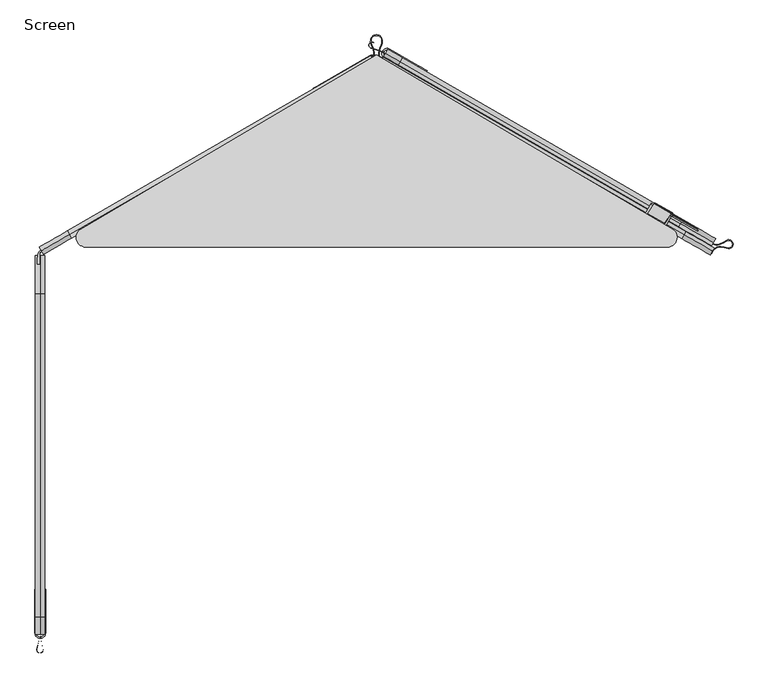
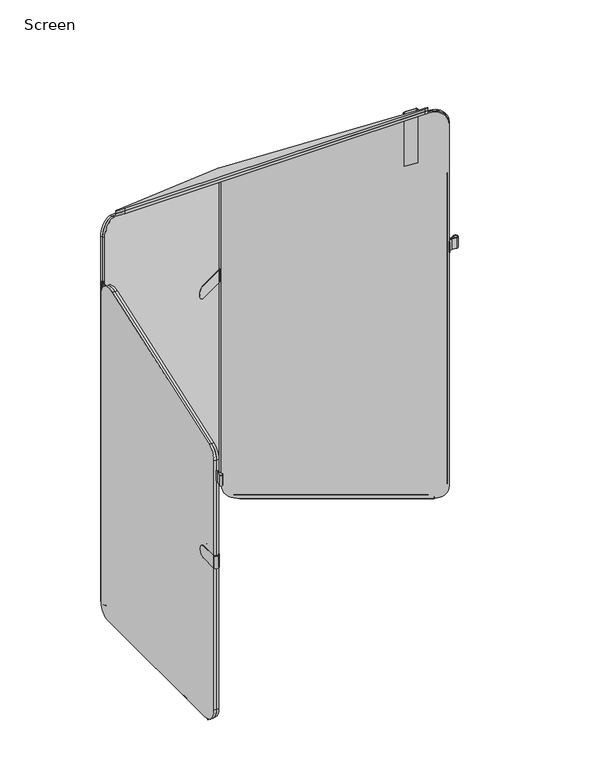
"""IFC4 building model written with IfcOpenShell, lengths in millimetres: furniture geometry, Screen."""

from ifc_helpers import new_model, si_unit, point, frame, frame_2d, origin, place, context, project, spatial, polyline, circle_curve, ellipse_curve, trimmed, segment, composite_curve, outline, extrude, source, transform, mapped, element, save
from ifc_brep_helpers import plane_surface, cylinder_surface, revolved_surface, advanced_brep


def screen_5ca2c956(model_context):
    return source(origin(), model_context, "Body", "SolidModel", [
        extrude(outline(composite_curve([segment(trimmed(circle_curve(frame_2d((598.1136733, -178.0375759)), 15.6309476), [point((587.1517606, -166.8947311))], [point((599.0493266, -162.4346571))], False, "CARTESIAN"), True, "CONTINUOUS"), segment(trimmed(circle_curve(frame_2d((595.5971111, -220.0036696)), 57.6724283), [point((599.0493266, -162.4346571))], [point((612.9936447, -165.017584))], False, "CARTESIAN"), True, "CONTINUOUS"), segment(trimmed(circle_curve(frame_2d((613.575283, -158.2398324)), 6.8026627), [point((612.9936447, -165.017584))], [point((609.8295658, -152.5612919))], True, "CARTESIAN"), True, "CONTINUOUS"), segment(trimmed(circle_curve(frame_2d((578.0736766, -104.4190808)), 57.6724283), [point((609.8295658, -152.5612919))], [point((597.1212487, -158.8552726))], False, "CARTESIAN"), True, "CONTINUOUS"), segment(trimmed(circle_curve(frame_2d((591.9587888, -144.1014417)), 15.6309476), [point((597.1212487, -158.8552726))], [point((584.4578288, -157.815016))], False, "CARTESIAN"), True, "CONTINUOUS"), segment(trimmed(circle_curve(frame_2d((593.1754437, -141.8771013)), 18.1662857), [point((584.4578288, -157.815016))], [point((577.9568598, -151.797214))], False, "CARTESIAN"), True, "CONTINUOUS"), segment(polyline([(577.9568598, -151.797214), (578.7769997, -151.1946711)]), True, "CONTINUOUS"), segment(trimmed(circle_curve(frame_2d((593.1754437, -141.8771013)), 17.1502857), [point((578.7769997, -151.1946711))], [point((584.9453856, -156.9236438))], True, "CARTESIAN"), True, "CONTINUOUS"), segment(trimmed(circle_curve(frame_2d((591.9587888, -144.1014417)), 14.6149476), [point((584.9453856, -156.9236438))], [point((596.7856926, -157.8962846))], True, "CARTESIAN"), True, "CONTINUOUS"), segment(trimmed(circle_curve(frame_2d((578.0736766, -104.4190808)), 56.6564283), [point((596.7856926, -157.8962846))], [point((609.2701307, -151.7131832))], True, "CARTESIAN"), True, "CONTINUOUS"), segment(trimmed(circle_curve(frame_2d((613.5685854, -158.2296788)), 7.8064991), [point((609.2701307, -151.7131832))], [point((612.6871746, -165.9862594))], False, "CARTESIAN"), True, "CONTINUOUS"), segment(trimmed(circle_curve(frame_2d((595.5971111, -220.0036696)), 56.6564283), [point((612.6871746, -165.9862594))], [point((598.9885099, -163.4488353))], True, "CARTESIAN"), True, "CONTINUOUS"), segment(trimmed(circle_curve(frame_2d((598.1136733, -178.0375759)), 14.6149476), [point((598.9885099, -163.4488353))], [point((587.8642768, -167.6190077))], True, "CARTESIAN"), True, "CONTINUOUS"), segment(trimmed(circle_curve(frame_2d((599.8916945, -179.8449442)), 17.1502857), [point((587.8642768, -167.6190077))], [point((583.4955544, -174.8151441))], True, "CARTESIAN"), True, "CONTINUOUS"), segment(polyline([(583.4955544, -174.8151441), (582.5420077, -174.4595653)]), True, "CONTINUOUS"), segment(trimmed(circle_curve(frame_2d((599.8916945, -179.8449442)), 18.1662857), [point((582.5420077, -174.4595653))], [point((587.1517606, -166.8947311))], False, "CARTESIAN"), True, "CONTINUOUS")], self_intersect=False)), frame((0.0, 0.0, 895.3441864), z_axis=(0.0, 0.0, 1.0), x_axis=(1.0, 0.0, 0.0)), (0.0, 0.0, 1.0), 38.1),
        advanced_brep(
        [(11.7279021, 186.0583928, 624.0890865), (61.5572902, 157.2631821, 624.0890865), (62.5936488, 159.0565745, 624.0890865), (11.932128, 188.3326548, 624.0890865), (2.4285422, 171.8869386, 624.0890865), (53.090063, 142.6108583, 624.0890865), (54.2442775, 144.6081974, 624.0890865), (4.4148894, 173.4034081, 624.0890865), (11.932128, 188.3326548, 579.6941583), (59.1393423, 161.0527355, 579.6941583), (58.1029838, 159.2593431, 579.6941583), (11.7279021, 186.0583928, 579.6941583), (4.4148894, 173.4034081, 579.6941583), (50.789971, 146.6043584, 579.6941583), (49.6357565, 144.6070193, 579.6941583), (2.4285422, 171.8869386, 579.6941583), (58.1029838, 159.2593431, 580.0001528), (59.1393423, 161.0527355, 580.0001528), (49.6357565, 144.6070193, 580.0001528), (50.789971, 146.6043584, 580.0001528)],
        [
            (0, 1),
            (1, 2),
            (2, 3),
            (3, 4, circle_curve(frame((7.1803351, 180.1097967, 624.0890865), z_axis=(0.0, 0.0, 1.0), x_axis=(-0.5003413979630116, -0.8658282078359537, 0.0)), 9.4971012)),
            (4, 5),
            (5, 6),
            (6, 7),
            (7, 0, circle_curve(frame((8.0713958, 179.7309004, 624.0890865), z_axis=(0.0, 0.0, -1.0), x_axis=(-0.5003413979630116, -0.8658282078359537, 0.0)), 7.3080229)),
            (8, 9),
            (9, 10),
            (10, 11),
            (11, 12, circle_curve(frame((8.0713958, 179.7309004, 579.6941583), z_axis=(0.0, 0.0, 1.0), x_axis=(-0.5003413979630116, -0.8658282078359537, 0.0)), 7.3080229)),
            (12, 13),
            (13, 14),
            (14, 15),
            (15, 8, circle_curve(frame((7.1803351, 180.1097967, 579.6941583), z_axis=(0.0, 0.0, -1.0), x_axis=(-0.5003413979630116, -0.8658282078359537, 0.0)), 9.4971012)),
            (10, 16),
            (16, 1, circle_curve(frame((58.1029838, 159.2593431, 602.2251286), z_axis=(-0.5003413979630116, -0.8658282078359538, 0.0), x_axis=(-0.8658282078359536, 0.5003413979630115, 0.0)), 22.2249758)),
            (0, 11),
            (2, 17, circle_curve(frame((59.1393423, 161.0527355, 602.2251286), z_axis=(0.5003413979630116, 0.8658282078359538, 0.0), x_axis=(-0.8658282078359536, 0.5003413979630115, 0.0)), 22.2249758)),
            (17, 9),
            (8, 3),
            (15, 4),
            (14, 18),
            (18, 5, circle_curve(frame((49.6357565, 144.6070193, 602.2251286), z_axis=(-0.5003413979630116, -0.8658282078359538, 0.0), x_axis=(-0.8658282078359536, 0.5003413979630115, 0.0)), 22.2249758)),
            (6, 19, circle_curve(frame((50.789971, 146.6043584, 602.2251286), z_axis=(0.5003413979630116, 0.8658282078359538, 0.0), x_axis=(-0.8658282078359536, 0.5003413979630115, 0.0)), 22.2249758)),
            (19, 13),
            (12, 7),
            (16, 17),
            (18, 19),
        ],
        [
            plane_surface(frame((4.4148894, 173.4034081, 624.0890865), z_axis=(0.0, 0.0, 1.0), x_axis=(0.8658282078359536, -0.5003413979630116, 0.0))),
            plane_surface(frame((4.4148894, 173.4034081, 579.6941583), z_axis=(0.0, 0.0, -1.0), x_axis=(-0.8658282078359536, 0.5003413979630116, 0.0))),
            plane_surface(frame((79.2343951, 147.0480063, 624.0890865), z_axis=(-0.5003413979630125, -0.8658282078359532, 0.0), x_axis=(0.0, 0.0, -1.0))),
            plane_surface(frame((11.932128, 188.3326548, 624.0890865), z_axis=(0.5003413979630111, 0.8658282078359539, 0.0), x_axis=(0.0, 0.0, -1.0))),
            cylinder_surface(frame((7.1803351, 180.1097967, 579.6941583), z_axis=(0.0, 0.0, 1.0000000000000002), x_axis=(-0.5003413979630116, -0.8658282078359537, 0.0)), 9.4971012),
            plane_surface(frame((70.7671679, 132.3956825, 624.0890865), z_axis=(-0.5003413979630126, -0.865828207835953, 0.0), x_axis=(0.0, 0.0, -1.0))),
            plane_surface(frame((4.4148894, 173.4034081, 624.0890865), z_axis=(0.5003413979630116, 0.8658282078359537, 0.0), x_axis=(0.0, 0.0, -1.0))),
            revolved_surface(polyline([(4.414889405868298, 173.4034080296689, 579.6941583), (4.414889405868298, 173.4034080296689, 624.0890865)]), (8.0713958, 179.7309004, 579.6941583), (0.0, 0.0, -1.0000000000000002)),
            cylinder_surface(frame((-244.7509442, -364.8217639, 602.2251286), z_axis=(-0.5003413979630115, -0.8658282078359536, 0.0), x_axis=(-0.8658282078359536, 0.5003413979630115, 0.0)), 22.2249758),
            plane_surface(frame((175.8006548, 362.9322033, 580.0001528), z_axis=(0.8658282078359536, -0.5003413979630116, 0.0), x_axis=(-0.5003413979630116, -0.8658282078359536, 0.0))),
        ],
        [
            (0, [[1, 2, 3, 4, 5, 6, 7, 8]]),
            (1, [[9, 10, 11, 12, 13, 14, 15, 16]]),
            (2, [[-11, 17, 18, -1, 19]]),
            (3, [[-3, 20, 21, -9, 22]]),
            (4, [[-22, -16, 23, -4]]),
            (5, [[-15, 24, 25, -5, -23]]),
            (6, [[-7, 26, 27, -13, 28]]),
            (7, [[-28, -12, -19, -8]]),
            (8, [[-20, -2, -18, 29]]),
            (8, [[-26, -6, -25, 30]]),
            (9, [[-17, -10, -21, -29]]),
            (9, [[-24, -14, -27, -30]]),
        ],
    ),
        extrude(outline(composite_curve([segment(trimmed(circle_curve(frame_2d((0.0, 2.667)), 2.667), [point((0.0, 5.334))], [point((0.0, 0.0))], False, "CARTESIAN"), True, "CONTINUOUS"), segment(trimmed(circle_curve(frame_2d((0.0, 2.667)), 2.667), [point((0.0, 0.0))], [point((0.0, 5.334))], False, "CARTESIAN"), True, "CONTINUOUS")], self_intersect=False)), frame((537.3435442, -126.5834955, 2.5379514), z_axis=(-0.8668691708695273, 0.49853569641097756, 0.0), x_axis=(0.0, 0.0, 1.0)), (0.0, 0.0, 1.0), 579.4266985),
        extrude(outline(composite_curve([segment(trimmed(circle_curve(frame_2d((0.0, 2.667)), 2.667), [point((0.0, 5.334))], [point((0.0, 0.0))], False, "CARTESIAN"), True, "CONTINUOUS"), segment(trimmed(circle_curve(frame_2d((0.0, 2.667)), 2.667), [point((0.0, 0.0))], [point((0.0, 5.334))], False, "CARTESIAN"), True, "CONTINUOUS")], self_intersect=False)), frame((536.7361583, -127.3623609, 2.5379514), z_axis=(-0.8660253657267415, 0.5000000659178595, 0.0), x_axis=(0.0, 0.0, -1.0)), (0.0, 0.0, 1.0), 579.289294),
        extrude(outline(composite_curve([segment(polyline([(57.15, 57.15), (57.15, -516.4425477)]), True, "CONTINUOUS"), segment(trimmed(circle_curve(frame_2d((15.6022923, -516.4425477)), 41.5477077), [point((57.15, -516.4425477))], [point((15.72966, -557.9900601))], False, "CARTESIAN"), True, "CONTINUOUS"), segment(polyline([(15.72966, -557.9900601), (-1104.1646113, -557.9900601)]), True, "CONTINUOUS"), segment(trimmed(circle_curve(frame_2d((-1104.1646113, -507.1900601)), 50.8), [point((-1104.1646113, -557.9900601))], [point((-1152.0447325, -490.2155502))], False, "CARTESIAN"), True, "CONTINUOUS"), segment(polyline([(-1152.0447325, -490.2155502), (-948.224438, 84.701811)]), True, "CONTINUOUS"), segment(trimmed(circle_curve(frame_2d((-906.3293319, 69.8491149)), 44.45), [point((-948.224438, 84.701811))], [point((-906.3293753, 114.2991149))], False, "CARTESIAN"), True, "CONTINUOUS"), segment(polyline([(-906.3293753, 114.2991149), (-5.59e-05, 114.3)]), True, "CONTINUOUS"), segment(trimmed(circle_curve(frame_2d((0.0, 57.15)), 57.15), [point((-5.59e-05, 114.3))], [point((57.15, 57.15))], False, "CARTESIAN"), True, "CONTINUOUS")], self_intersect=False)), frame((103.4498427, 123.5127335, 62.4738029), z_axis=(0.5003413979630116, 0.8658282078359537, 0.0), x_axis=(0.0, 0.0, -1.0)), (0.0, 0.0, 1.0), 8.2615122),
        extrude(outline(composite_curve([segment(polyline([(30.9902992, 166.2949488), (30.525524, 165.4906669), (8.1729156, 178.4077043), (-5.1623868, 184.9182753), (-21.1292247, 189.8067119)]), True, "CONTINUOUS"), segment(trimmed(circle_curve(frame_2d((-19.543052, 195.0519747)), 5.4798472), [point((-21.1292247, 189.8067119))], [point((-15.8042254, 199.0582075))], False, "CARTESIAN"), True, "CONTINUOUS"), segment(polyline([(-15.8042254, 199.0582075), (-3.7508821, 187.8093953), (8.6376908, 179.2119862), (30.9902992, 166.2949488)]), True, "CONTINUOUS")], self_intersect=False), holes=[composite_curve([segment(polyline([(-4.2734535, 187.6916966), (-16.0871469, 198.3372307)]), True, "CONTINUOUS"), segment(trimmed(circle_curve(frame_2d((-19.5546121, 194.9497846)), 4.8474845), [point((-16.0871469, 198.3372307))], [point((-20.9737069, 190.3146713))], True, "CARTESIAN"), True, "CONTINUOUS"), segment(polyline([(-20.9737069, 190.3146713), (-5.3350227, 185.5267029), (8.7674516, 178.6415827), (-4.2734535, 187.6916966)]), True, "CONTINUOUS")], self_intersect=False)]), frame((0.0, 0.0, 895.3440895), z_axis=(0.0, 0.0, 1.0), x_axis=(1.0, 0.0, 0.0)), (0.0, 0.0, 1.0), 38.1000969),
        extrude(outline(composite_curve([segment(polyline([(573.5925477, 0.0), (0.0, 0.0)]), True, "CONTINUOUS"), segment(trimmed(circle_curve(frame_2d((0.0, 41.5477077)), 41.5477077), [point((0.0, 0.0))], [point((-41.5475124, 41.42034))], False, "CARTESIAN"), True, "CONTINUOUS"), segment(polyline([(-41.5475124, 41.42034), (-41.5475124, 1161.3146113)]), True, "CONTINUOUS"), segment(trimmed(circle_curve(frame_2d((9.2524876, 1161.3146113)), 50.8), [point((-41.5475124, 1161.3146113))], [point((26.2269974, 1209.1947325))], False, "CARTESIAN"), True, "CONTINUOUS"), segment(polyline([(26.2269974, 1209.1947325), (601.1443587, 1005.374438)]), True, "CONTINUOUS"), segment(trimmed(circle_curve(frame_2d((586.2916626, 963.4793319)), 44.45), [point((601.1443587, 1005.374438))], [point((630.7416626, 963.4793753))], False, "CARTESIAN"), True, "CONTINUOUS"), segment(polyline([(630.7416626, 963.4793753), (630.7425477, 57.1500559)]), True, "CONTINUOUS"), segment(trimmed(circle_curve(frame_2d((573.5925477, 57.15)), 57.15), [point((630.7425477, 57.1500559))], [point((573.5925477, 0.0))], False, "CARTESIAN"), True, "CONTINUOUS")], self_intersect=False)), frame((547.420932, -140.3867872, 5.3238029), z_axis=(0.5003413979630116, 0.8658282078359536, 0.0), x_axis=(-0.8658282078359536, 0.5003413979630116, 0.0)), (0.0, 0.0, 1.0), 6.3545336),
        extrude(outline(composite_curve([segment(trimmed(circle_curve(frame_2d((0.0, -2.667)), 2.667), [point((0.0, -5.334))], [point((0.0, 0.0))], False, "CARTESIAN"), True, "CONTINUOUS"), segment(trimmed(circle_curve(frame_2d((0.0, -2.667)), 2.667), [point((0.0, 0.0))], [point((0.0, -5.334))], False, "CARTESIAN"), True, "CONTINUOUS")], self_intersect=False)), frame((-608.3689724, -806.9608816, 2.5379514), z_axis=(0.001690159880038844, 0.9999985716787699, 0.0), x_axis=(0.0, 0.0, -1.0)), (0.0, 0.0, 1.0), 579.4266985),
        extrude(outline(composite_curve([segment(trimmed(circle_curve(frame_2d((0.0, -2.667)), 2.667), [point((0.0, -5.334))], [point((0.0, 0.0))], False, "CARTESIAN"), True, "CONTINUOUS"), segment(trimmed(circle_curve(frame_2d((0.0, -2.667)), 2.667), [point((0.0, 0.0))], [point((0.0, -5.334))], False, "CARTESIAN"), True, "CONTINUOUS")], self_intersect=False)), frame((-608.3651063, -806.963502, 2.5379514), z_axis=(7.611537644613976e-08, 0.9999999999999971, 0.0), x_axis=(0.0, 0.0, 1.0)), (0.0, 0.0, 1.0), 579.289294),
        extrude(outline(composite_curve([segment(trimmed(circle_curve(frame_2d((-793.904581, 62.4738029)), 57.15), [point((-793.904581, 5.3238029))], [point((-851.054581, 62.4738588))], False, "CARTESIAN"), True, "CONTINUOUS"), segment(polyline([(-851.054581, 62.4738588), (-851.0536958, 968.8031782)]), True, "CONTINUOUS"), segment(trimmed(circle_curve(frame_2d((-806.6036958, 968.8031348)), 44.45), [point((-851.0536958, 968.8031782))], [point((-821.456392, 1010.6982409))], False, "CARTESIAN"), True, "CONTINUOUS"), segment(polyline([(-821.456392, 1010.6982409), (-246.5390307, 1214.5185354)]), True, "CONTINUOUS"), segment(trimmed(circle_curve(frame_2d((-229.5645208, 1166.6384142)), 50.8), [point((-246.5390307, 1214.5185354))], [point((-178.7645208, 1166.6384142))], False, "CARTESIAN"), True, "CONTINUOUS"), segment(polyline([(-178.7645208, 1166.6384142), (-178.7645208, 46.7441429)]), True, "CONTINUOUS"), segment(trimmed(circle_curve(frame_2d((-220.3120333, 46.8715106)), 41.5477077), [point((-178.7645208, 46.7441429))], [point((-220.3120333, 5.3238029))], False, "CARTESIAN"), True, "CONTINUOUS"), segment(polyline([(-220.3120333, 5.3238029), (-793.904581, 5.3238029)]), True, "CONTINUOUS")], self_intersect=False)), frame((-617.0234288, 0.0, 0.0), z_axis=(1.0, 0.0, 0.0), x_axis=(0.0, 1.0, 0.0)), (0.0, 0.0, 1.0), 8.2615122),
        extrude(outline(composite_curve([segment(trimmed(circle_curve(frame_2d((-793.904581, 62.4738029)), 57.15), [point((-793.904581, 5.3238029))], [point((-851.054581, 62.4738588))], False, "CARTESIAN"), True, "CONTINUOUS"), segment(polyline([(-851.054581, 62.4738588), (-851.0536958, 968.8031782)]), True, "CONTINUOUS"), segment(trimmed(circle_curve(frame_2d((-806.6036958, 968.8031348)), 44.45), [point((-851.0536958, 968.8031782))], [point((-821.456392, 1010.6982409))], False, "CARTESIAN"), True, "CONTINUOUS"), segment(polyline([(-821.456392, 1010.6982409), (-246.5390307, 1214.5185354)]), True, "CONTINUOUS"), segment(trimmed(circle_curve(frame_2d((-229.5645208, 1166.6384142)), 50.8), [point((-246.5390307, 1214.5185354))], [point((-178.7645208, 1166.6384142))], False, "CARTESIAN"), True, "CONTINUOUS"), segment(polyline([(-178.7645208, 1166.6384142), (-178.7645208, 46.7441429)]), True, "CONTINUOUS"), segment(trimmed(circle_curve(frame_2d((-220.3120333, 46.8715106)), 41.5477077), [point((-178.7645208, 46.7441429))], [point((-220.3120333, 5.3238029))], False, "CARTESIAN"), True, "CONTINUOUS"), segment(polyline([(-220.3120333, 5.3238029), (-793.904581, 5.3238029)]), True, "CONTINUOUS")], self_intersect=False)), frame((-608.7619166, 0.0, 0.0), z_axis=(1.0, 0.0, 0.0), x_axis=(0.0, 1.0, 0.0)), (0.0, 0.0, 1.0), 8.2615122),
        advanced_brep(
        [(-618.0633855, -849.0201959, 624.0890865), (-599.0691831, -849.0201959, 624.0890865), (-599.0691831, -789.9130812, 624.0890865), (-600.5004045, -789.9130812, 624.0890865), (-600.5004045, -848.059113, 624.0890865), (-617.0234288, -848.059113, 624.0890865), (-617.0234288, -789.9130812, 624.0890865), (-618.0633855, -789.9130812, 624.0890865), (-617.0234288, -848.059113, 579.6941583), (-600.5004045, -848.059113, 579.6941583), (-600.5004045, -793.9026792, 579.6941583), (-599.0691831, -793.9026792, 579.6941583), (-599.0691831, -849.0201959, 579.6941583), (-618.0633855, -849.0201959, 579.6941583), (-618.0633855, -793.9026792, 579.6941583), (-617.0234288, -793.9026792, 579.6941583), (-617.0234288, -793.9026792, 580.0001528), (-618.0633855, -793.9026792, 580.0001528), (-599.0691831, -793.9026792, 580.0001528), (-600.5004045, -793.9026792, 580.0001528)],
        [
            (0, 1, circle_curve(frame((-608.5662843, -849.0201959, 624.0890865), z_axis=(0.0, 0.0, 1.0), x_axis=(1.0, 0.0, 0.0)), 9.4971012)),
            (1, 2),
            (2, 3),
            (3, 4),
            (4, 5, circle_curve(frame((-608.7619166, -848.059113, 624.0890865), z_axis=(0.0, 0.0, -1.0), x_axis=(1.0, 0.0, 0.0)), 8.2615122)),
            (5, 6),
            (6, 7),
            (7, 0),
            (8, 9, circle_curve(frame((-608.7619166, -848.059113, 579.6941583), z_axis=(0.0, 0.0, 1.0), x_axis=(1.0, 0.0, 0.0)), 8.2615122)),
            (9, 10),
            (10, 11),
            (11, 12),
            (12, 13, circle_curve(frame((-608.5662843, -849.0201959, 579.6941583), z_axis=(0.0, 0.0, -1.0), x_axis=(1.0, 0.0, 0.0)), 9.4971012)),
            (13, 14),
            (14, 15),
            (15, 8),
            (5, 8),
            (15, 16),
            (16, 6, circle_curve(frame((-617.0234288, -793.9026792, 602.2251286), z_axis=(1.0, 0.0, 0.0), x_axis=(0.0, -1.0, 0.0)), 22.2249758)),
            (13, 0),
            (7, 17, circle_curve(frame((-618.0633855, -793.9026792, 602.2251286), z_axis=(-1.0, 0.0, 0.0), x_axis=(0.0, -1.0, 0.0)), 22.2249758)),
            (17, 14),
            (12, 1),
            (11, 18),
            (18, 2, circle_curve(frame((-599.0691831, -793.9026792, 602.2251286), z_axis=(1.0, 0.0, 0.0), x_axis=(0.0, -1.0, 0.0)), 22.2249758)),
            (9, 4),
            (3, 19, circle_curve(frame((-600.5004045, -793.9026792, 602.2251286), z_axis=(-1.0, 0.0, 0.0), x_axis=(0.0, -1.0, 0.0)), 22.2249758)),
            (19, 10),
            (16, 17),
            (18, 19),
        ],
        [
            plane_surface(frame((-617.0234288, -727.0461626, 624.0890865), z_axis=(0.0, 0.0, 1.0), x_axis=(0.0, 1.0, 0.0))),
            plane_surface(frame((-617.0234288, -727.0461626, 579.6941583), z_axis=(0.0, 0.0, -1.0), x_axis=(0.0, -1.0, 0.0))),
            plane_surface(frame((-617.0234288, -848.059113, 624.0890865), z_axis=(1.0, 0.0, 0.0), x_axis=(0.0, 0.0, -1.0))),
            plane_surface(frame((-618.0633855, -770.0915759, 624.0890865), z_axis=(-1.0, 0.0, 0.0), x_axis=(0.0, 0.0, -1.0))),
            cylinder_surface(frame((-608.5662843, -849.0201959, 579.6941583), z_axis=(0.0, 0.0, 1.0), x_axis=(1.0, 0.0, 0.0)), 9.4971012),
            plane_surface(frame((-599.0691831, -849.0201959, 624.0890865), z_axis=(1.0, 0.0, 0.0), x_axis=(0.0, 0.0, -1.0))),
            plane_surface(frame((-600.5004045, -770.0915759, 624.0890865), z_axis=(-1.0, 0.0, 0.0), x_axis=(0.0, 0.0, -1.0))),
            revolved_surface(polyline([(-600.5004044, -848.059113, 579.6941583), (-600.5004044, -848.059113, 624.0890865)]), (-608.7619166, -848.059113, 579.6941583), (0.0, 0.0, -1.0)),
            cylinder_surface(frame((-11.7288654, -793.9026792, 602.2251286), z_axis=(1.0, 0.0, 0.0), x_axis=(0.0, -1.0, 0.0)), 22.2249758),
            plane_surface(frame((-852.2581536, -793.9026792, 573.6501528), z_axis=(0.0, 1.0, 0.0), x_axis=(1.0, 0.0, 0.0))),
        ],
        [
            (0, [[1, 2, 3, 4, 5, 6, 7, 8]]),
            (1, [[9, 10, 11, 12, 13, 14, 15, 16]]),
            (2, [[17, -16, 18, 19, -6]]),
            (3, [[20, -8, 21, 22, -14]]),
            (4, [[-1, -20, -13, 23]]),
            (5, [[-23, -12, 24, 25, -2]]),
            (6, [[26, -4, 27, 28, -10]]),
            (7, [[-5, -26, -9, -17]]),
            (8, [[29, -21, -7, -19]]),
            (8, [[30, -27, -3, -25]]),
            (9, [[-29, -18, -15, -22]]),
            (9, [[-30, -24, -11, -28]]),
        ],
    ),
        extrude(outline(composite_curve([segment(polyline([(-609.5494561, -820.897811), (-608.6205399, -820.897811), (-608.6205399, -846.7142585), (-607.5853721, -861.5178477), (-603.8290483, -877.7882735)]), True, "CONTINUOUS"), segment(trimmed(circle_curve(frame_2d((-609.1641727, -879.0393425)), 5.4798472), [point((-603.8290483, -877.7882735))], [point((-614.5035718, -877.8066451))], False, "CARTESIAN"), True, "CONTINUOUS"), segment(polyline([(-614.5035718, -877.8066451), (-610.7948196, -861.7422741), (-609.5494561, -846.7142585), (-609.5494561, -820.897811)]), True, "CONTINUOUS")], self_intersect=False), holes=[composite_curve([segment(polyline([(-610.4314486, -862.1358416), (-613.7377724, -877.6908719)]), True, "CONTINUOUS"), segment(trimmed(circle_curve(frame_2d((-609.0699097, -878.9982217)), 4.8474845), [point((-613.7377724, -877.6908719))], [point((-604.3466659, -877.9077749))], True, "CARTESIAN"), True, "CONTINUOUS"), segment(polyline([(-604.3466659, -877.9077749), (-608.025789, -861.9717421), (-609.1205094, -846.3165114), (-610.4314486, -862.1358416)]), True, "CONTINUOUS")], self_intersect=False)]), frame((0.0, 0.0, 895.3440895), z_axis=(0.0, 0.0, 1.0), x_axis=(1.0, 0.0, 0.0)), (0.0, 0.0, 1.0), 38.1000969),
        extrude(outline(composite_curve([segment(polyline([(-609.8631973, -173.4492817), (-609.863195, -193.8939792), (-614.1401369, -193.8939796)]), True, "CONTINUOUS"), segment(trimmed(circle_curve(frame_2d((-537.8674877, -191.2898085)), 76.3170933), [point((-614.1401369, -193.8939796))], [point((-612.89174, -177.3019462))], False, "CARTESIAN"), True, "CONTINUOUS"), segment(trimmed(circle_curve(frame_2d((-598.5745239, -179.971313)), 14.5639347), [point((-612.89174, -177.3019462))], [point((-608.0448731, -168.906925))], False, "CARTESIAN"), True, "CONTINUOUS"), segment(trimmed(circle_curve(frame_2d((-558.418894, -226.8858947)), 76.3170933), [point((-608.0448731, -168.906925))], [point((-594.2999505, -159.5297627))], False, "CARTESIAN"), True, "CONTINUOUS"), segment(polyline([(-594.2999505, -159.5297627), (-592.163434, -163.2303176), (-609.8631973, -173.4492817)]), True, "CONTINUOUS")], self_intersect=False)), frame((0.0, 0.0, 85.0985363), z_axis=(0.0, 0.0, 1.0), x_axis=(1.0, 0.0, 0.0)), (0.0, 0.0, 1.0), 1120.595602),
        extrude(outline(composite_curve([segment(polyline([(-609.8631973, -173.4492817), (-592.1653652, -163.2314327), (-591.7671156, -163.9212212), (-608.2520352, -173.4387948)]), True, "CONTINUOUS"), segment(trimmed(circle_curve(frame_2d((-607.4484857, -174.8305833)), 1.6070989), [point((-608.2520352, -173.4387948))], [point((-609.0555846, -174.8305835))], True, "CARTESIAN"), True, "CONTINUOUS"), segment(polyline([(-609.0555846, -174.8305835), (-609.0555825, -193.8657295), (-609.863195, -193.8657295), (-609.8631973, -173.4492817)]), True, "CONTINUOUS")], self_intersect=False)), frame((0.0, 0.0, 83.9630889), z_axis=(0.0, 0.0, 1.0), x_axis=(1.0, 0.0, 0.0)), (0.0, 0.0, 1.0), 1121.7310494),
        extrude(outline(composite_curve([segment(trimmed(circle_curve(frame_2d((0.0, -2.6669999)), 2.667), [point((0.0, -5.334))], [point((0.0, 0.0))], False, "CARTESIAN"), True, "CONTINUOUS"), segment(trimmed(circle_curve(frame_2d((0.0, -2.6669999)), 2.667), [point((0.0, 0.0))], [point((0.0, -5.334))], False, "CARTESIAN"), True, "CONTINUOUS")], self_intersect=False)), frame((546.2862611, -147.9721252, 2.5379514), z_axis=(-0.8651791250509948, 0.5014629413785183, 0.0), x_axis=(0.0, 0.0, 1.0)), (0.0, 0.0, 1.0), 579.4266985),
        extrude(outline(composite_curve([segment(trimmed(circle_curve(frame_2d((0.0, -2.667)), 2.667), [point((0.0, -5.334))], [point((0.0, 0.0))], False, "CARTESIAN"), True, "CONTINUOUS"), segment(trimmed(circle_curve(frame_2d((0.0, -2.667)), 2.667), [point((0.0, 0.0))], [point((0.0, -5.334))], False, "CARTESIAN"), True, "CONTINUOUS")], self_intersect=False)), frame((546.2845735, -147.9468054, 2.5379514), z_axis=(-0.8660254037844412, 0.4999999999999957, 0.0), x_axis=(0.0, 0.0, -1.0)), (0.0, 0.0, 1.0), 579.289294),
        extrude(outline(composite_curve([segment(trimmed(circle_curve(frame_2d((0.0, -2.667)), 2.667), [point((0.0, -5.3339999))], [point((0.0, 0.0))], False, "CARTESIAN"), True, "CONTINUOUS"), segment(trimmed(circle_curve(frame_2d((0.0, -2.667)), 2.667), [point((0.0, 0.0))], [point((0.0, -5.3339999))], False, "CARTESIAN"), True, "CONTINUOUS")], self_intersect=False)), frame((-570.6642853, -148.7535796, 2.5379514), z_axis=(0.8651791250509948, 0.5014629413785183, 0.0), x_axis=(0.0, 0.0, -1.0)), (0.0, 0.0, 1.0), 579.3030841),
        extrude(outline(composite_curve([segment(trimmed(circle_curve(frame_2d((0.0, -2.667)), 2.667), [point((0.0, -5.334))], [point((0.0, 0.0))], False, "CARTESIAN"), True, "CONTINUOUS"), segment(trimmed(circle_curve(frame_2d((0.0, -2.667)), 2.667), [point((0.0, 0.0))], [point((0.0, -5.334))], False, "CARTESIAN"), True, "CONTINUOUS")], self_intersect=False)), frame((-570.781909, -148.5470215, 2.5379514), z_axis=(0.8660254037844412, 0.4999999999999957, 0.0), x_axis=(0.0, 0.0, 1.0)), (0.0, 0.0, 1.0), 579.3014692),
        extrude(outline(composite_curve([segment(polyline([(23.8908781, 0.0), (243.7044894, -621.3940454)]), True, "CONTINUOUS"), segment(trimmed(circle_curve(frame_2d((202.8345266, -635.8514966)), 43.3517216), [point((243.7044894, -621.3940454))], [point((202.8345266, -679.2032182))], False, "CARTESIAN"), True, "CONTINUOUS"), segment(polyline([(202.8345266, -679.2032182), (-1113.2357295, -679.2032182)]), True, "CONTINUOUS"), segment(trimmed(circle_curve(frame_2d((-1113.2357295, -634.7532182)), 44.45), [point((-1113.2357295, -679.2032182))], [point((-1157.6857295, -634.7532182))], False, "CARTESIAN"), True, "CONTINUOUS"), segment(polyline([(-1157.6857295, -634.7532182), (-1157.6857295, -45.7577438)]), True, "CONTINUOUS"), segment(trimmed(circle_curve(frame_2d((-1111.9279857, -45.7577438)), 45.7577438), [point((-1157.6857295, -45.7577438))], [point((-1111.9279857, 0.0))], False, "CARTESIAN"), True, "CONTINUOUS"), segment(polyline([(-1111.9279857, 0.0), (23.8908781, 0.0)]), True, "CONTINUOUS")], self_intersect=False)), frame((-14.4661128, 163.1916196, 1163.1002266), z_axis=(-0.5000000329589273, 0.8660253847555923, 0.0), x_axis=(0.0, 0.0, 1.0)), (0.0, 0.0, 1.0), 7.4323841),
        extrude(outline(composite_curve([segment(polyline([(717.1326135, 0.0), (1095.7318125, -1070.2671524)]), True, "CONTINUOUS"), segment(trimmed(circle_curve(frame_2d((1052.5935651, -1085.5269928)), 45.7577438), [point((1095.7318125, -1070.2671524))], [point((1067.8534055, -1128.6652402))], False, "CARTESIAN"), True, "CONTINUOUS"), segment(polyline([(1067.8534055, -1128.6652402), (513.4772694, -1324.7717549)]), True, "CONTINUOUS"), segment(trimmed(circle_curve(frame_2d((498.6535511, -1282.8663868)), 44.45), [point((513.4772694, -1324.7717549))], [point((456.748183, -1297.6901051))], False, "CARTESIAN"), True, "CONTINUOUS"), segment(polyline([(456.748183, -1297.6901051), (18.1493464, -57.8091728)]), True, "CONTINUOUS"), segment(trimmed(circle_curve(frame_2d((59.0193093, -43.3517215)), 43.3517216), [point((18.1493464, -57.8091728))], [point((59.0193093, 1e-07))], False, "CARTESIAN"), True, "CONTINUOUS"), segment(polyline([(59.0193093, 1e-07), (717.1326135, 0.0)]), True, "CONTINUOUS")], self_intersect=False)), frame((582.8634815, -169.153187, 1425.5875103), z_axis=(0.5000000329589278, 0.8660253847555921, 0.0), x_axis=(-0.816447975865982, 0.4713765000750515, -0.3334919757375519)), (0.0, 0.0, 1.0), 6.049998),
        extrude(outline(composite_curve([segment(polyline([(-11.7399787, 174.820534), (5.9578534, 164.602685), (5.5596037, 163.9128964), (-10.9253159, 173.4304701)]), True, "CONTINUOUS"), segment(trimmed(circle_curve(frame_2d((-11.7288654, 172.0386816)), 1.6070989), [point((-10.9253159, 173.4304701))], [point((-12.5324149, 173.4304701))], True, "CARTESIAN"), True, "CONTINUOUS"), segment(polyline([(-12.5324149, 173.4304701), (-29.0173345, 163.9128964), (-29.4211408, 164.6123094), (-11.7399787, 174.820534)]), True, "CONTINUOUS")], self_intersect=False)), frame((0.0, 0.0, 47.7445179), z_axis=(0.0, 0.0, 1.0), x_axis=(1.0, 0.0, 0.0)), (0.0, 0.0, 1.0), 1113.9907726),
        extrude(outline(polyline([(-69.9882339, 0.0), (-33.8529548, 1e-07), (-33.8529548, -144.6002372), (-69.9882338, -147.6436722), (-69.9882339, 0.0)])), frame((585.03978, -147.7404078, 1265.6909919), z_axis=(0.5000000329589275, 0.8660253847555921, 0.0), x_axis=(0.8137976634681078, -0.46984634136421555, 0.3420201433256666)), (0.0, 0.0, 1.0), 0.9453191),
        advanced_brep(
        [(-14.3097971, 176.8748559, 1195.9587319), (-536.1946032, -131.1738442, 1414.8812845), (-527.5364178, -163.4866295, 1437.8451776), (504.7049264, -163.4866295, 1437.8451776), (513.3505733, -131.2206383, 1414.9145399), (-9.1472551, 176.8760063, 1195.9579143), (-536.1946032, -131.1738442, 1405.7444588), (-14.3097971, 176.8748559, 1186.8219062), (-9.1472551, 176.8760063, 1186.8210886), (513.3505733, -131.2206383, 1405.7777142), (504.7049264, -163.4866295, 1428.7083519), (-527.5364178, -163.4866295, 1428.7083519)],
        [
            (0, 1),
            (1, 2, ellipse_curve(frame((-527.5364178, -146.1702599, 1425.5388642), z_axis=(0.0, 0.5792877413393603, 0.8151231273457663), x_axis=(0.0, -0.8151231273457663, 0.5792877413393603)), 21.2438698, 17.3163696)),
            (2, 3),
            (3, 4, ellipse_curve(frame((504.7049264, -146.1953368, 1425.5566858), z_axis=(0.0, 0.5792877413393603, 0.8151231273457663), x_axis=(0.0, -0.8151231273457663, 0.5792877413393603)), 21.2131053, 17.2912927)),
            (4, 5),
            (5, 0, ellipse_curve(frame((-11.7275511, 172.5001095, 1199.0677554), z_axis=(0.0, 0.5792877413393603, 0.8151231273457663), x_axis=(0.0, -0.8151231273457663, 0.5792877413393603)), 6.2321873, 5.08)),
            (6, 7),
            (7, 8, ellipse_curve(frame((-11.7275511, 172.5001095, 1189.9309296), z_axis=(0.0, -0.5792877413393608, -0.8151231273457661), x_axis=(0.0, -0.8151231273457663, 0.5792877413393606)), 6.2321873, 5.08)),
            (8, 9),
            (9, 10, ellipse_curve(frame((504.7049264, -146.1953368, 1416.41986), z_axis=(0.0, -0.5792877413393608, -0.8151231273457661), x_axis=(0.0, -0.8151231273457663, 0.5792877413393606)), 21.2131053, 17.2912927)),
            (10, 11),
            (11, 6, ellipse_curve(frame((-527.5364178, -146.1702599, 1416.4020385), z_axis=(0.0, -0.5792877413393608, -0.8151231273457661), x_axis=(0.0, -0.8151231273457663, 0.5792877413393606)), 21.2438698, 17.3163696)),
            (0, 7),
            (6, 1),
            (11, 2),
            (10, 3),
            (9, 4),
            (8, 5),
        ],
        [
            plane_surface(frame((2487.7263863, -225.8119481, 1482.1382321), z_axis=(0.0, 0.5792877413393603, 0.8151231273457663), x_axis=(-1.0, 0.0, 0.0))),
            plane_surface(frame((2487.7263863, 184.7961362, 1181.1924492), z_axis=(0.0, -0.5792877413393608, -0.8151231273457661), x_axis=(-1.0, 0.0, 0.0))),
            plane_surface(frame((-14.3097971, 176.8748559, 1541.8269091), z_axis=(-0.5083161340305171, 0.8611705451792168, 0.0), x_axis=(0.0, 0.0, -1.0))),
            cylinder_surface(frame((-527.5364178, -146.1702599, 1163.2525521), z_axis=(0.0, 0.0, 1.0), x_axis=(1.0, 0.0, 0.0)), 17.3163696),
            plane_surface(frame((-527.5364178, -163.4866295, 1541.8269091), z_axis=(0.0, -1.0, 0.0), x_axis=(0.0, 0.0, -1.0))),
            cylinder_surface(frame((504.7049264, -146.1953368, 1163.2525521), z_axis=(0.0, 0.0, 1.0), x_axis=(1.0, 0.0, 0.0)), 17.2912927),
            plane_surface(frame((513.3505733, -131.2206383, 1541.8269091), z_axis=(0.5079322990525112, 0.8613969930172908, 0.0), x_axis=(0.0, 0.0, -1.0))),
            cylinder_surface(frame((-11.7275511, 172.5001095, 1163.2525521), z_axis=(0.0, 0.0, 1.0), x_axis=(1.0, 0.0, 0.0)), 5.08),
        ],
        [
            (0, [[1, 2, 3, 4, 5, 6]]),
            (1, [[7, 8, 9, 10, 11, 12]]),
            (2, [[13, -7, 14, -1]]),
            (3, [[-14, -12, 15, -2]]),
            (4, [[-15, -11, 16, -3]]),
            (5, [[-16, -10, 17, -4]]),
            (6, [[-17, -9, 18, -5]]),
            (7, [[-13, -6, -18, -8]]),
        ],
    ),
        advanced_brep(
        [(-14.3097971, 176.8748559, 1186.8306069), (-14.3097971, 176.8748559, 1177.2969062), (-536.1946032, -131.1738442, 1396.2194588), (-536.1946032, -131.1738442, 1405.7531595), (-527.5364178, -163.4866295, 1419.1833519), (-527.5364178, -163.4866295, 1428.7170526), (504.7049264, -163.4866295, 1419.1833519), (504.7049264, -163.4866295, 1428.7170526), (513.3505733, -131.2206383, 1396.2527142), (513.3505733, -131.2206383, 1405.7864149), (-9.1472551, 176.8760063, 1177.2960886), (-9.1472551, 176.8760063, 1186.8297893)],
        [
            (0, 1),
            (1, 2),
            (2, 3),
            (3, 0),
            (2, 4, ellipse_curve(frame((-527.5364178, -146.1702599, 1406.8770385), z_axis=(0.0, 0.5792877413393606, 0.8151231273457662), x_axis=(0.0, -0.8151231273457662, 0.5792877413393606)), 21.2438698, 17.3163696)),
            (4, 5),
            (5, 3, ellipse_curve(frame((-527.5364178, -146.1702599, 1416.4107392), z_axis=(0.0, -0.5792877413393603, -0.8151231273457663), x_axis=(0.0, -0.8151231273457663, 0.5792877413393603)), 21.2438698, 17.3163696)),
            (4, 6),
            (6, 7),
            (7, 5),
            (6, 8, ellipse_curve(frame((504.7049264, -146.1953368, 1406.89486), z_axis=(0.0, 0.5792877413393606, 0.8151231273457662), x_axis=(0.0, -0.8151231273457662, 0.5792877413393606)), 21.2131053, 17.2912927)),
            (8, 9),
            (9, 7, ellipse_curve(frame((504.7049264, -146.1953368, 1416.4285608), z_axis=(0.0, -0.5792877413393603, -0.8151231273457663), x_axis=(0.0, -0.8151231273457663, 0.5792877413393603)), 21.2131053, 17.2912927)),
            (8, 10),
            (10, 11),
            (11, 9),
            (11, 0, ellipse_curve(frame((-11.7275511, 172.5001095, 1189.9396304), z_axis=(0.0, 0.5792877413393603, 0.8151231273457663), x_axis=(0.0, -0.8151231273457663, 0.5792877413393603)), 6.2321873, 5.08)),
            (1, 10, ellipse_curve(frame((-11.7275511, 172.5001095, 1180.4059296), z_axis=(0.0, -0.5792877413393606, -0.8151231273457662), x_axis=(0.0, -0.8151231273457662, 0.5792877413393606)), 6.2321873, 5.08)),
        ],
        [
            plane_surface(frame((-14.3097971, 176.8748559, 1437.5769806), z_axis=(-0.5083161340305171, 0.8611705451792168, 0.0), x_axis=(0.0, 0.0, -1.0))),
            cylinder_surface(frame((-527.5364178, -146.1702599, 1133.5653838), z_axis=(0.0, 0.0, 1.0), x_axis=(1.0, 0.0, 0.0)), 17.3163696),
            plane_surface(frame((-527.5364178, -163.4866295, 1437.5769806), z_axis=(0.0, -1.0, 0.0), x_axis=(0.0, 0.0, -1.0))),
            cylinder_surface(frame((504.7049264, -146.1953368, 1133.5653838), z_axis=(0.0, 0.0, 1.0), x_axis=(1.0, 0.0, 0.0)), 17.2912927),
            plane_surface(frame((513.3505733, -131.2206383, 1437.5769806), z_axis=(0.5079322990525112, 0.8613969930172908, 0.0), x_axis=(0.0, 0.0, -1.0))),
            plane_surface(frame((1259.7636478, -208.7151319, 1460.8598248), z_axis=(0.0, 0.5792877413393603, 0.8151231273457663), x_axis=(-1.0, 0.0, 0.0))),
            plane_surface(frame((1259.7636478, 184.7961362, 1171.6674492), z_axis=(0.0, -0.5792877413393606, -0.8151231273457662), x_axis=(-1.0, 0.0, 0.0))),
            cylinder_surface(frame((-11.7275511, 172.5001095, 1133.5653838), z_axis=(0.0, 0.0, 1.0), x_axis=(1.0, 0.0, 0.0)), 5.08),
        ],
        [
            (0, [[1, 2, 3, 4]]),
            (1, [[-3, 5, 6, 7]]),
            (2, [[-6, 8, 9, 10]]),
            (3, [[-9, 11, 12, 13]]),
            (4, [[-12, 14, 15, 16]]),
            (5, [[-4, -7, -10, -13, -16, 17]]),
            (6, [[-2, 18, -14, -11, -8, -5]]),
            (7, [[-1, -17, -15, -18]]),
        ],
    ),
        extrude(outline(composite_curve([segment(polyline([(0.0, 0.0), (2.8150356, 0.5471875), (2.9954111, -0.3807635), (-0.9760086, -1.1527292), (-11.901871, -1.1527292)]), True, "CONTINUOUS"), segment(trimmed(circle_curve(frame_2d((-11.9018709, -6.368235)), 5.2155058), [point((-11.901871, -1.1527292))], [point((-13.5442475, -1.4180734))], True, "CARTESIAN"), True, "CONTINUOUS"), segment(trimmed(circle_curve(frame_2d((-13.0977571, -2.7638059)), 1.417868), [point((-13.5442475, -1.4180734))], [point((-14.5005456, -2.970044))], True, "CARTESIAN"), True, "CONTINUOUS"), segment(polyline([(-14.5005456, -2.970044), (-14.5005457, -23.7812417), (-15.71671, -24.0176401), (-15.7167099, -2.8117614)]), True, "CONTINUOUS"), segment(trimmed(circle_curve(frame_2d((-14.1778573, -2.4558411)), 1.5794768), [point((-15.7167099, -2.8117614))], [point((-15.0704078, -1.1527292))], False, "CARTESIAN"), True, "CONTINUOUS"), segment(trimmed(circle_curve(frame_2d((-11.3475441, -6.5880603)), 6.5880603), [point((-15.0704078, -1.1527292))], [point((-11.3475441, 0.0))], False, "CARTESIAN"), True, "CONTINUOUS"), segment(polyline([(-11.3475441, 0.0), (0.0, 0.0)]), True, "CONTINUOUS")], self_intersect=False)), frame((485.6508317, -89.2666062, 1374.3756127), z_axis=(0.8137976634680696, -0.4698463413642837, 0.3420201433256641), x_axis=(0.1953516284044776, -0.3331135796888759, -0.9224278206486304)), (0.0, 0.0, 1.0), 37.3309113),
        extrude(outline(polyline([(-24.3350397, 1e-07), (20.553585, 0.0), (21.7184634, -3.3830528), (-23.1701612, -3.3830527), (-24.3350397, 1e-07)])), frame((482.4314067, -120.5270176, 1388.1549982), z_axis=(0.5000000329589274, 0.8660253847555921, 0.0), x_axis=(0.8188430882269575, -0.4727593189629363, 0.32556815445715814)), (0.0, 0.0, 1.0), 25.0687388),
        extrude(outline(polyline([(-76.6458819, 0.0), (-30.9223631, 0.0), (-30.9223631, -152.9844366), (-76.6458818, -156.8354255), (-76.6458819, 0.0)])), frame((583.8491391, -149.8026582, 1265.6909919), z_axis=(0.5000000329589275, 0.8660253847555921, 0.0), x_axis=(0.8137976634681072, -0.4698463413642152, 0.3420201433256684)), (0.0, 0.0, 1.0), 2.1790699),
        extrude(outline(composite_curve([segment(polyline([(-716.9453356, 0.0), (-57.8181982, 0.0)]), True, "CONTINUOUS"), segment(trimmed(circle_curve(frame_2d((-57.8181982, -43.3517215)), 43.3517216), [point((-57.8181982, 0.0))], [point((-16.9482353, -57.8091728))], False, "CARTESIAN"), True, "CONTINUOUS"), segment(polyline([(-16.9482353, -57.8091728), (-455.8471052, -1298.5382734)]), True, "CONTINUOUS"), segment(trimmed(circle_curve(frame_2d((-497.7524733, -1283.7145551)), 44.45), [point((-455.8471052, -1298.5382734))], [point((-512.5761916, -1325.6199232))], False, "CARTESIAN"), True, "CONTINUOUS"), segment(polyline([(-512.5761916, -1325.6199232), (-1067.8534056, -1129.1946587)]), True, "CONTINUOUS"), segment(trimmed(circle_curve(frame_2d((-1052.5935652, -1086.0564113)), 45.7577438), [point((-1067.8534056, -1129.1946587))], [point((-1095.7318126, -1070.7965709))], False, "CARTESIAN"), True, "CONTINUOUS"), segment(polyline([(-1095.7318126, -1070.7965709), (-716.9453356, 0.0)]), True, "CONTINUOUS")], self_intersect=False)), frame((-603.5308732, -168.3229301, 1426.0866212), z_axis=(-0.5000000329589275, 0.8660253847555922, 0.0), x_axis=(-0.8164479758659822, -0.4713765000750513, 0.33349197573755185)), (0.0, 0.0, 1.0), 7.4323841),
        extrude(outline(polyline([(-56.1641408, 0.0), (-14.0597891, 0.0), (43.1672217, -166.1993071), (1.06287, -166.1993071), (-56.1641408, 0.0)])), frame((510.1210128, -138.0223891, 1230.3339603), z_axis=(0.5000000329589276, 0.8660253847555922, 0.0), x_axis=(0.8188430882269567, -0.472759318962936, 0.3255681544571603)), (0.0, 0.0, 1.0), 3.5541339),
        advanced_brep(
        [(-23.4729563, 175.3692253, 838.516023), (-15.8827445, 162.222594, 838.516023), (-99.9829227, 113.6673292, 838.516023), (-99.3760083, 112.6161227, 838.516023), (-14.5982293, 161.5626005, 838.516023), (-23.3035274, 176.6406179, 838.516023), (-108.0813064, 127.69414, 838.516023), (-107.5731345, 126.8139606, 838.516023), (-23.3035274, 176.6406179, 793.1692699), (-14.5982293, 161.5626005, 793.1692699), (-99.3760083, 112.6161227, 793.1692699), (-99.9829227, 113.6673292, 793.1692699), (-15.8827445, 162.222594, 793.1692699), (-23.4729563, 175.3692253, 793.1692699), (-107.5731345, 126.8139606, 793.1692699), (-108.0813064, 127.69414, 793.1692699)],
        [
            (0, 1, circle_curve(frame((-19.6778504, 168.7959097, 838.516023), z_axis=(0.0, 0.0, -1.0), x_axis=(1.0, 0.0, 0.0)), 7.5902113)),
            (1, 2),
            (2, 3),
            (3, 4),
            (4, 5, circle_curve(frame((-18.9508784, 169.1016092, 838.516023), z_axis=(0.0, 0.0, 1.0), x_axis=(1.0, 0.0, 0.0)), 8.7052976)),
            (5, 6),
            (6, 7),
            (7, 0),
            (8, 9, circle_curve(frame((-18.9508784, 169.1016092, 793.1692699), z_axis=(0.0, 0.0, -1.0), x_axis=(1.0, 0.0, 0.0)), 8.7052976)),
            (9, 10),
            (10, 11),
            (11, 12),
            (12, 13, circle_curve(frame((-19.6778504, 168.7959097, 793.1692699), z_axis=(0.0, 0.0, 1.0), x_axis=(1.0, 0.0, 0.0)), 7.5902113)),
            (13, 14),
            (14, 15),
            (15, 8),
            (13, 0),
            (7, 14, circle_curve(frame((-103.428927, 129.2066201, 815.8426465), z_axis=(0.5000000329589276, -0.8660253847555922, 0.0), x_axis=(0.8660253847555922, 0.5000000329589276, 0.0)), 23.1728565)),
            (12, 1),
            (11, 2, circle_curve(frame((-95.8387152, 116.0599888, 815.8426465), z_axis=(-0.5000000329589276, 0.8660253847555922, 0.0), x_axis=(0.8660253847555922, 0.5000000329589276, 0.0)), 23.1728565)),
            (9, 4),
            (3, 10, circle_curve(frame((-95.2318008, 115.0087822, 815.8426465), z_axis=(0.5000000329589276, -0.8660253847555922, 0.0), x_axis=(0.8660253847555922, 0.5000000329589276, 0.0)), 23.1728565)),
            (8, 5),
            (15, 6, circle_curve(frame((-103.9370989, 130.0867996, 815.8426465), z_axis=(-0.5000000329589276, 0.8660253847555922, 0.0), x_axis=(0.8660253847555922, 0.5000000329589276, 0.0)), 23.1728565)),
        ],
        [
            plane_surface(frame((-23.1292525, 175.5676629, 838.516023), z_axis=(0.0, 0.0, 1.0), x_axis=(0.8660253847555888, 0.5000000329589334, 0.0))),
            plane_surface(frame((-23.1292525, 175.5676629, 793.1692699), z_axis=(0.0, 0.0, -1.0), x_axis=(-0.8660253847555888, -0.5000000329589334, 0.0))),
            plane_surface(frame((-126.557068, 115.8535805, 838.516023), z_axis=(0.5000000329589334, -0.8660253847555888, 0.0), x_axis=(0.0, 0.0, -1.0))),
            revolved_surface(polyline([(-12.0876391, 168.7959097, 793.1692699), (-12.0876391, 168.7959097, 838.516023)]), (-19.6778504, 168.7959097, 793.1692699), (0.0, 0.0, -1.0)),
            plane_surface(frame((-15.8827445, 162.222594, 838.516023), z_axis=(-0.5000000329589194, 0.8660253847555969, 0.0), x_axis=(0.0, 0.0, -1.0))),
            plane_surface(frame((-118.7036456, 101.4573051, 838.516023), z_axis=(0.5000000329589331, -0.866025384755589, 0.0), x_axis=(0.0, 0.0, -1.0))),
            cylinder_surface(frame((-18.9508784, 169.1016092, 793.1692699), z_axis=(0.0, 0.0, 1.0), x_axis=(1.0, 0.0, 0.0)), 8.7052976),
            plane_surface(frame((-23.3035274, 176.6406179, 838.516023), z_axis=(-0.5000000329589336, 0.8660253847555887, 0.0), x_axis=(0.0, 0.0, -1.0))),
            cylinder_surface(frame((-25.5460046, -5.6905467, 815.8426465), z_axis=(0.5000000329589277, -0.8660253847555924, 0.0), x_axis=(0.8660253847555922, 0.5000000329589276, 0.0)), 23.1728565),
        ],
        [
            (0, [[1, 2, 3, 4, 5, 6, 7, 8]]),
            (1, [[9, 10, 11, 12, 13, 14, 15, 16]]),
            (2, [[17, -8, 18, -14]]),
            (3, [[-1, -17, -13, 19]]),
            (4, [[-19, -12, 20, -2]]),
            (5, [[21, -4, 22, -10]]),
            (6, [[-5, -21, -9, 23]]),
            (7, [[-23, -16, 24, -6]]),
            (8, [[-3, -20, -11, -22]]),
            (8, [[-7, -24, -15, -18]]),
        ],
    ),
        extrude(outline(composite_curve([segment(trimmed(circle_curve(frame_2d((-33.0593046, 181.3394076)), 18.1662857), [point((-18.4758981, 170.5071323))], [point((-25.3327323, 164.8981785))], False, "CARTESIAN"), True, "CONTINUOUS"), segment(polyline([(-25.3327323, 164.8981785), (-25.8164147, 165.7935771)]), True, "CONTINUOUS"), segment(trimmed(circle_curve(frame_2d((-33.0593046, 181.3394076)), 17.1502857), [point((-25.8164147, 165.7935771))], [point((-19.2915156, 171.1129573))], True, "CARTESIAN"), True, "CONTINUOUS"), segment(trimmed(circle_curve(frame_2d((-31.0240032, 179.8276247)), 14.6149476), [point((-19.2915156, 171.1129573))], [point((-16.6953025, 182.7059974))], True, "CARTESIAN"), True, "CONTINUOUS"), segment(trimmed(circle_curve(frame_2d((-72.2420637, 171.5476736)), 56.6564283), [point((-16.6953025, 182.7059974))], [point((-21.0976289, 195.9238436))], True, "CARTESIAN"), True, "CONTINUOUS"), segment(trimmed(circle_curve(frame_2d((-8.7146763, 201.8257361)), 13.7175017), [point((-21.0976289, 195.9238436))], [point((-20.2991051, 209.1722224))], False, "CARTESIAN"), True, "CONTINUOUS"), segment(trimmed(circle_curve(frame_2d((-12.4788574, 204.2128633)), 9.2602116), [point((-20.2991051, 209.1722224))], [point((-11.7288654, 213.4426537))], False, "CARTESIAN"), True, "CONTINUOUS"), segment(trimmed(circle_curve(frame_2d((-10.9788734, 204.2128633)), 9.2602116), [point((-11.7288654, 213.4426537))], [point((-3.1586257, 209.1722224))], False, "CARTESIAN"), True, "CONTINUOUS"), segment(trimmed(circle_curve(frame_2d((-14.7430546, 201.8257361)), 13.7175017), [point((-3.1586257, 209.1722224))], [point((-2.3601019, 195.9238436))], False, "CARTESIAN"), True, "CONTINUOUS"), segment(trimmed(circle_curve(frame_2d((48.7843329, 171.5476736)), 56.6564283), [point((-2.3601019, 195.9238436))], [point((-6.7624283, 182.7059974))], True, "CARTESIAN"), True, "CONTINUOUS"), segment(trimmed(circle_curve(frame_2d((7.5662724, 179.8276247)), 14.6149476), [point((-6.7624283, 182.7059974))], [point((-4.1662152, 171.1129573))], True, "CARTESIAN"), True, "CONTINUOUS"), segment(trimmed(circle_curve(frame_2d((9.6015737, 181.3394076)), 17.1502857), [point((-4.1662152, 171.1129573))], [point((2.3586839, 165.7935771))], True, "CARTESIAN"), True, "CONTINUOUS"), segment(polyline([(2.3586839, 165.7935771), (1.8750015, 164.8981785)]), True, "CONTINUOUS"), segment(trimmed(circle_curve(frame_2d((9.6015737, 181.3394076)), 18.1662857), [point((1.8750015, 164.8981785))], [point((-4.9818328, 170.5071323))], False, "CARTESIAN"), True, "CONTINUOUS"), segment(trimmed(circle_curve(frame_2d((7.5662724, 179.8276247)), 15.6309476), [point((-4.9818328, 170.5071323))], [point((-7.758529, 182.9060957))], False, "CARTESIAN"), True, "CONTINUOUS"), segment(trimmed(circle_curve(frame_2d((48.7843329, 171.5476736)), 57.6724283), [point((-7.758529, 182.9060957))], [point((-3.2772572, 196.3609729))], False, "CARTESIAN"), True, "CONTINUOUS"), segment(trimmed(circle_curve(frame_2d((-14.7430546, 201.8257361)), 12.7015017), [point((-3.2772572, 196.3609729))], [point((-3.398736, 207.5384047))], True, "CARTESIAN"), True, "CONTINUOUS"), segment(trimmed(circle_curve(frame_2d((-11.3760769, 203.5212481)), 8.931714), [point((-3.398736, 207.5384047))], [point((-11.7288654, 212.4459921))], True, "CARTESIAN"), True, "CONTINUOUS"), segment(trimmed(circle_curve(frame_2d((-12.0816539, 203.5212481)), 8.931714), [point((-11.7288654, 212.4459921))], [point((-20.0589948, 207.5384047))], True, "CARTESIAN"), True, "CONTINUOUS"), segment(trimmed(circle_curve(frame_2d((-8.7146763, 201.8257361)), 12.7015017), [point((-20.0589948, 207.5384047))], [point((-20.1804736, 196.3609729))], True, "CARTESIAN"), True, "CONTINUOUS"), segment(trimmed(circle_curve(frame_2d((-72.2420637, 171.5476736)), 57.6724283), [point((-20.1804736, 196.3609729))], [point((-15.6992018, 182.9060957))], False, "CARTESIAN"), True, "CONTINUOUS"), segment(trimmed(circle_curve(frame_2d((-31.0240032, 179.8276247)), 15.6309476), [point((-15.6992018, 182.9060957))], [point((-18.4758981, 170.5071323))], False, "CARTESIAN"), True, "CONTINUOUS")], self_intersect=False)), frame((0.0, 0.0, 895.3441864), z_axis=(0.0, 0.0, 1.0), x_axis=(1.0, 0.0, 0.0)), (0.0, 0.0, 1.0), 50.6240902),
        extrude(outline(composite_curve([segment(polyline([(-11.7399787, 174.820534), (-29.4211408, 164.6123094), (-31.5690544, 168.3326045)]), True, "CONTINUOUS"), segment(trimmed(circle_curve(frame_2d((8.8225436, 103.5806352)), 76.3170933), [point((-31.5690544, 168.3326045))], [point((-16.575733, 175.5474766))], False, "CARTESIAN"), True, "CONTINUOUS"), segment(trimmed(circle_curve(frame_2d((-11.7288654, 161.8137201)), 14.5639347), [point((-16.575733, 175.5474766))], [point((-6.8819979, 175.5474766))], False, "CARTESIAN"), True, "CONTINUOUS"), segment(trimmed(circle_curve(frame_2d((-32.2802745, 103.5806352)), 76.3170933), [point((-6.8819979, 175.5474766))], [point((8.1113236, 168.3326045))], False, "CARTESIAN"), True, "CONTINUOUS"), segment(polyline([(8.1113236, 168.3326045), (5.9578534, 164.602685), (-11.7399787, 174.820534)]), True, "CONTINUOUS")], self_intersect=False)), frame((0.0, 0.0, 47.7445179), z_axis=(0.0, 0.0, 1.0), x_axis=(1.0, 0.0, 0.0)), (0.0, 0.0, 1.0), 1113.9907726),
        extrude(outline(composite_curve([segment(polyline([(-23.3293116, 0.0), (1111.9279857, 0.0)]), True, "CONTINUOUS"), segment(trimmed(circle_curve(frame_2d((1111.9279857, -45.7577438)), 45.7577438), [point((1111.9279857, 0.0))], [point((1157.6857295, -45.7577438))], False, "CARTESIAN"), True, "CONTINUOUS"), segment(polyline([(1157.6857295, -45.7577438), (1157.6857295, -633.797424)]), True, "CONTINUOUS"), segment(trimmed(circle_curve(frame_2d((1113.2357295, -633.797424)), 44.45), [point((1157.6857295, -633.797424))], [point((1113.2357295, -678.2474239))], False, "CARTESIAN"), True, "CONTINUOUS"), segment(polyline([(1113.2357295, -678.2474239), (-201.9348548, -678.2474239)]), True, "CONTINUOUS"), segment(trimmed(circle_curve(frame_2d((-201.9348548, -634.8957024)), 43.3517216), [point((-201.9348548, -678.2474239))], [point((-242.8048177, -620.4382511))], False, "CARTESIAN"), True, "CONTINUOUS"), segment(polyline([(-242.8048177, -620.4382511), (-23.3293116, 0.0)]), True, "CONTINUOUS")], self_intersect=False)), frame((-6.8492133, 161.5922211, 1163.1002266), z_axis=(0.5000000329589275, 0.8660253847555922, 0.0), x_axis=(0.0, 0.0, -1.0)), (0.0, 0.0, 1.0), 8.4224476),
    ])


if __name__ == "__main__":
    model = new_model("IFC4")
    model_context = context("Model", 3, world=origin())
    ifc_project = project(units=[si_unit("LENGTHUNIT", "METRE", prefix="MILLI")], contexts=[model_context])
    site = spatial("IfcSite", under=ifc_project)
    building = spatial("IfcBuilding", under=site)
    placement = place(None, origin())
    screen_shape = screen_5ca2c956(model_context)
    element("IfcFurniture", 1, ObjectType="Screen", at=placement, inside=building, context=model_context, shape_type="MappedRepresentation", body=[
        mapped(screen_shape, transform((0.0, 0.0, 0.0), x_axis=(1.0, 0.0, 0.0), y_axis=(0.0, 1.0, 0.0), z_axis=(0.0, 0.0, 1.0))),
    ])
    save(model, "model.ifc")
